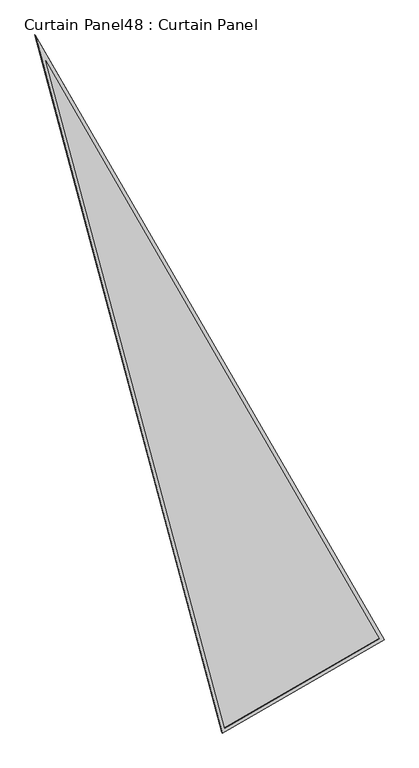
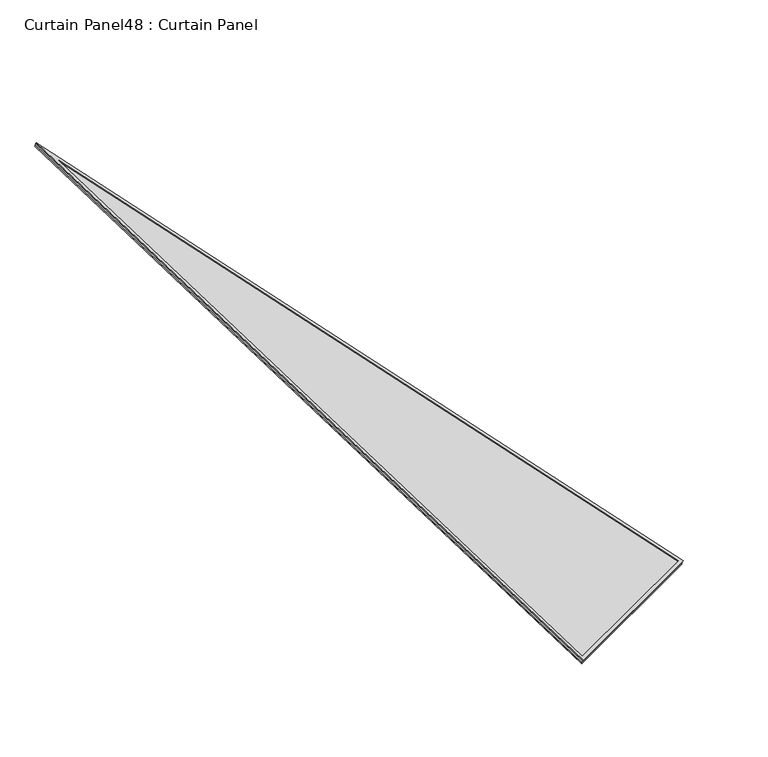
"""IFC4 building model written with IfcOpenShell, lengths in millimetres: plate geometry, Curtain Panel48 : Curtain Panel."""

from ifc_helpers import new_model, si_unit, frame, origin, place, context, project, spatial, polyline, outline, extrude, source, transform, mapped, element, save


def curtain_panel48_curtain_panel_c8d796b5(model_context):
    return source(origin(), model_context, "Body", "SweptSolid", [
        extrude(outline(polyline([(895.9373554, 0.0), (0.0, -3524.4506618), (0.0, 0.0), (895.9373554, 0.0)]), holes=[polyline([(874.5088161, -16.6627978), (16.6627979, -16.6627978), (16.6627979, -3391.2692345), (874.5088161, -16.6627978)])]), frame((14858.3738998, -4863.6107803, 898.6724196), z_axis=(0.15807291198690102, -0.2737903148616813, 0.9487106081329137), x_axis=(-0.8660254037844429, -0.4999999999999927, 0.0)), (0.0, 0.0, 1.0), 4.8609908),
        extrude(outline(polyline([(895.9373554, 0.0), (0.0, -3524.4506618), (0.0, 0.0), (895.9373554, 0.0)]), holes=[polyline([(882.6749851, -10.3127979), (10.3127979, -10.3127979), (10.3127979, -3442.0231397), (882.6749851, -10.3127979)])]), frame((14855.5921699, -4858.7926828, 881.9772337), z_axis=(0.15807291198690218, -0.2737903148616832, 0.9487106081329131), x_axis=(-0.8660254037844429, -0.4999999999999925, 0.0)), (0.0, 0.0, 1.0), 4.7549713),
        extrude(outline(polyline([(12.7, 0.0), (908.6373554, 0.0), (12.7, -3524.4506618), (12.7, 0.0)])), frame((14867.3423247, -4853.7445479, 886.4883254), z_axis=(0.1580729119869006, -0.27379031486168065, 0.9487106081329139), x_axis=(-0.8660254037844429, -0.49999999999999273, 0.0)), (0.0, 0.0, 1.0), 12.8427933),
    ])


if __name__ == "__main__":
    model = new_model("IFC4")
    model_context = context("Model", 3, world=origin())
    ifc_project = project(units=[si_unit("LENGTHUNIT", "METRE", prefix="MILLI")], contexts=[model_context])
    site = spatial("IfcSite", under=ifc_project)
    building = spatial("IfcBuilding", under=site)
    placement = place(None, origin())
    curtain_panel48_curtain_panel_shape = curtain_panel48_curtain_panel_c8d796b5(model_context)
    element("IfcPlate", 1, ObjectType="Curtain Panel48 : Curtain Panel", at=placement, inside=building, context=model_context, shape_type="MappedRepresentation", body=[
        mapped(curtain_panel48_curtain_panel_shape, transform((0.0, 0.0, 0.0), x_axis=(1.0, 0.0, 0.0), y_axis=(0.0, 1.0, 0.0), z_axis=(0.0, 0.0, 1.0))),
    ])
    save(model, "model.ifc")
